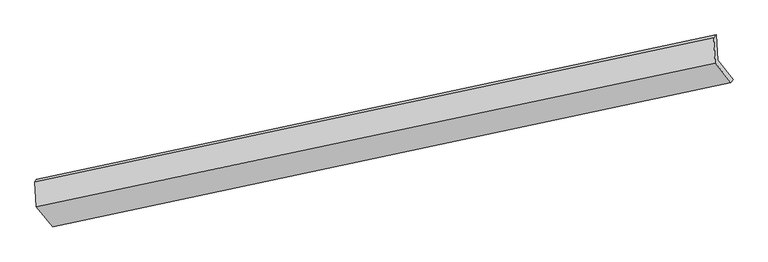
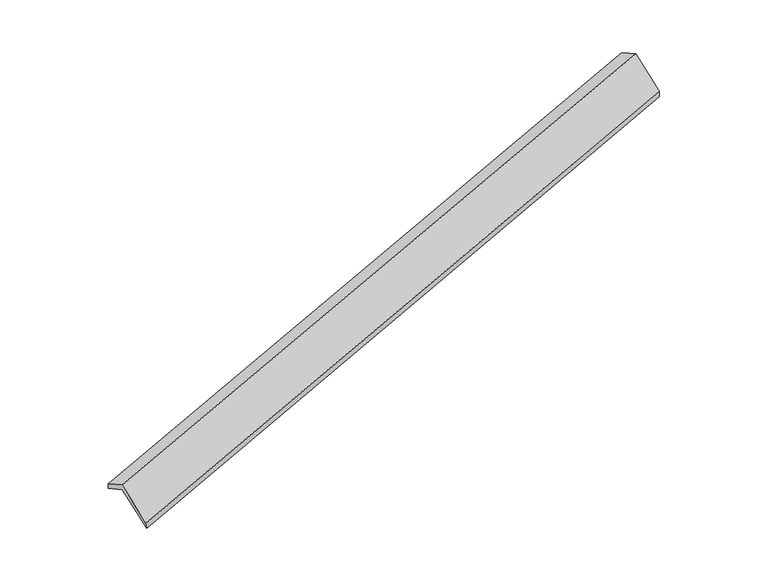
"""IFC4 building model written with IfcOpenShell, lengths in millimetres: proxy geometry."""

from ifc_helpers import new_model, si_unit, frame, origin, place, context, project, spatial, source, transform, mapped, element, save
from ifc_brep_helpers import plane_surface, spline_surface, advanced_brep


def generic_models_3cede307(model_context):
    return source(origin(), model_context, "Body", "AdvancedBrep", [
        advanced_brep(
        [(-8397.8037468, -2679.3944689, 517.5866113), (-8420.7155277, -2270.6997295, 304.3296781), (2529.8415023, 59.5119305, 3550.2609293), (2552.7532832, -349.1828089, 3763.5178624), (-8449.2275992, -2310.6321259, 428.8047502), (2491.4024573, 15.4319836, 3711.1404565), (-8426.3158183, -2719.3268653, 642.0616834), (2514.3142382, -393.2627558, 3924.3973897), (-8165.4330971, -3043.3307839, -6.901906), (2768.7175632, -709.2195728, 3291.551741), (-8133.536624, -3007.6016531, -139.7959082), (2803.7722066, -660.9363603, 3139.0911439)],
        [
            (0, 1),
            (1, 2),
            (2, 3),
            (3, 0),
            (1, 4),
            (4, 5),
            (5, 2),
            (4, 6),
            (6, 7),
            (7, 5),
            (6, 8),
            (8, 9),
            (9, 7),
            (8, 10),
            (10, 11),
            (11, 9),
            (10, 0),
            (3, 11),
        ],
        [
            plane_surface(frame((-8409.2596373, -2475.0470992, 410.9581447), z_axis=(0.3389293020940487, -0.42022334211128193, -0.8417477478002929), x_axis=(-0.049640198634210334, 0.8854697126945017, -0.4620381354177086))),
            spline_surface(1, 1, [[(-8420.7155277, -2270.6997295, 304.3296781), (2529.8415023, 59.5119305, 3550.2609293)], [(-8449.2275992, -2310.6321259, 428.8047502), (2491.4024573, 15.4319836, 3711.1404565)]], [2, 2], [2, 2], [0.0, 1.0], [0.0, 1.0]),
            plane_surface(frame((-8437.7717088, -2514.9794956, 535.4332168), z_axis=(-0.34152845540836363, 0.41967262742140643, 0.8409715809345705), x_axis=(0.0496401986342485, -0.8854697126944965, 0.46203813541771444))),
            plane_surface(frame((-8295.8744577, -2881.3288246, 317.5798887), z_axis=(0.04964019863413742, -0.8854697126945102, 0.4620381354177004), x_axis=(0.33844015766678953, -0.42032656200069807, -0.8418930103968983))),
            spline_surface(1, 1, [[(-8165.4330971, -3043.3307839, -6.901906), (2768.7175632, -709.2195728, 3291.551741)], [(-8133.536624, -3007.6016531, -139.7959082), (2803.7722066, -660.9363603, 3139.0911439)]], [2, 2], [2, 2], [0.0, 1.0], [0.0, 1.0]),
            plane_surface(frame((-8265.6701854, -2843.498061, 188.8953516), z_axis=(-0.051252367238942095, 0.8851284116807291, -0.4625158264188966), x_axis=(-0.3384401576667989, 0.42032656200067015, 0.8418930103969087))),
            plane_surface(frame((2610.1335418, -339.6095973, 3563.3265871), z_axis=(0.9396776630090002, 0.19816399566343, 0.2788134151446946), x_axis=(0.21411301822772133, 0.29491283762337106, -0.9312260915751591))),
            plane_surface(frame((-8332.1720689, -2671.8309378, 291.0141515), z_axis=(-0.9396776630090018, -0.19816399566343307, -0.2788134151446875), x_axis=(0.33844015766679403, -0.42032656200067164, -0.8418930103969098))),
        ],
        [
            (0, [[1, 2, 3, 4]]),
            (1, [[5, 6, 7, -2]]),
            (2, [[8, 9, 10, -6]]),
            (3, [[11, 12, 13, -9]]),
            (4, [[14, 15, 16, -12]]),
            (5, [[17, -4, 18, -15]]),
            (6, [[-16, -18, -3, -7, -10, -13]]),
            (7, [[-17, -14, -11, -8, -5, -1]]),
        ],
    ),
    ])


if __name__ == "__main__":
    model = new_model("IFC4")
    model_context = context("Model", 3, world=origin())
    ifc_project = project(units=[si_unit("LENGTHUNIT", "METRE", prefix="MILLI")], contexts=[model_context])
    site = spatial("IfcSite", under=ifc_project)
    building = spatial("IfcBuilding", under=site)
    placement = place(None, origin())
    generic_models_shape = generic_models_3cede307(model_context)
    element("IfcBuildingElementProxy", 1, Name="Generic Models", at=placement, inside=building, context=model_context, shape_type="MappedRepresentation", body=[
        mapped(generic_models_shape, transform((0.0, 0.0, 0.0), x_axis=(1.0, 0.0, 0.0), y_axis=(0.0, 1.0, 0.0), z_axis=(0.0, 0.0, 1.0))),
    ])
    save(model, "model.ifc")
